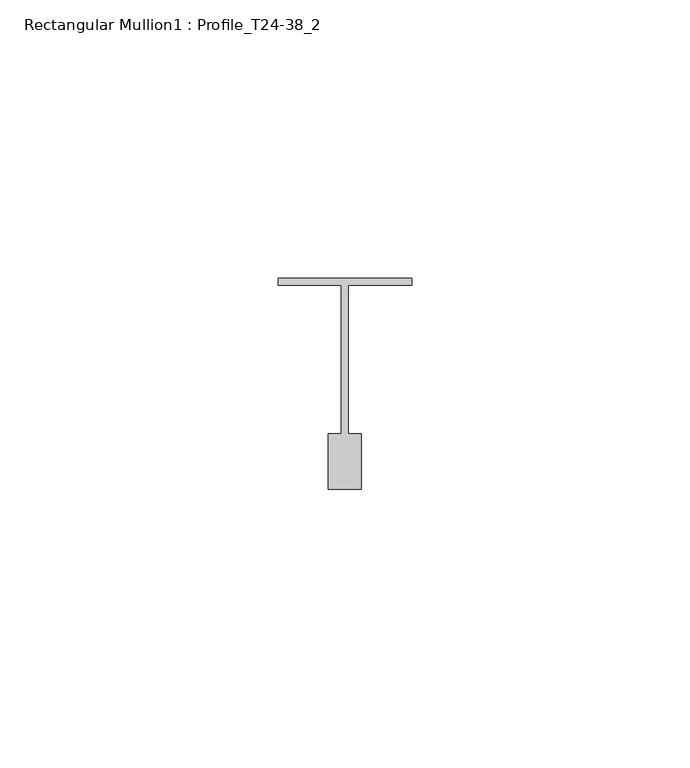
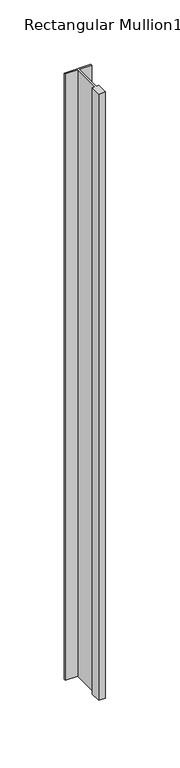
"""IFC4 building model written with IfcOpenShell, lengths in millimetres: member geometry, Rectangular Mullion1 : Profile_T24-38_2."""

from ifc_helpers import new_model, si_unit, frame, origin, place, context, project, spatial, polyline, outline, extrude, source, transform, mapped, element, save


def rectangular_mullion1_profile_t24_38_2_d5ae62b2(model_context):
    return source(origin(), model_context, "Body", "SweptSolid", [
        extrude(outline(polyline([(-12.0, -0.5), (12.0, -0.5), (12.0, -1.75), (0.6, -1.75), (0.6, -28.5), (3.0, -28.5), (3.0, -38.5), (-3.0, -38.5), (-3.0, -28.5), (-0.6, -28.5), (-0.6, -1.75), (-12.0, -1.75), (-12.0, -0.5)])), frame((0.0, 0.0, -576.0), z_axis=(0.0, 0.0, 1.0), x_axis=(1.0, 0.0, 0.0)), (0.0, 0.0, 1.0), 576.0),
    ])


if __name__ == "__main__":
    model = new_model("IFC4")
    model_context = context("Model", 3, world=origin())
    ifc_project = project(units=[si_unit("LENGTHUNIT", "METRE", prefix="MILLI")], contexts=[model_context])
    site = spatial("IfcSite", under=ifc_project)
    building = spatial("IfcBuilding", under=site)
    placement = place(None, origin())
    rectangular_mullion1_profile_t24_38_2_shape = rectangular_mullion1_profile_t24_38_2_d5ae62b2(model_context)
    element("IfcMember", 1, ObjectType="Rectangular Mullion1 : Profile_T24-38_2", at=placement, inside=building, context=model_context, shape_type="MappedRepresentation", body=[
        mapped(rectangular_mullion1_profile_t24_38_2_shape, transform((0.0, 0.0, 0.0), x_axis=(1.0, 0.0, 0.0), y_axis=(0.0, 1.0, 0.0), z_axis=(0.0, 0.0, 1.0))),
    ])
    save(model, "model.ifc")
